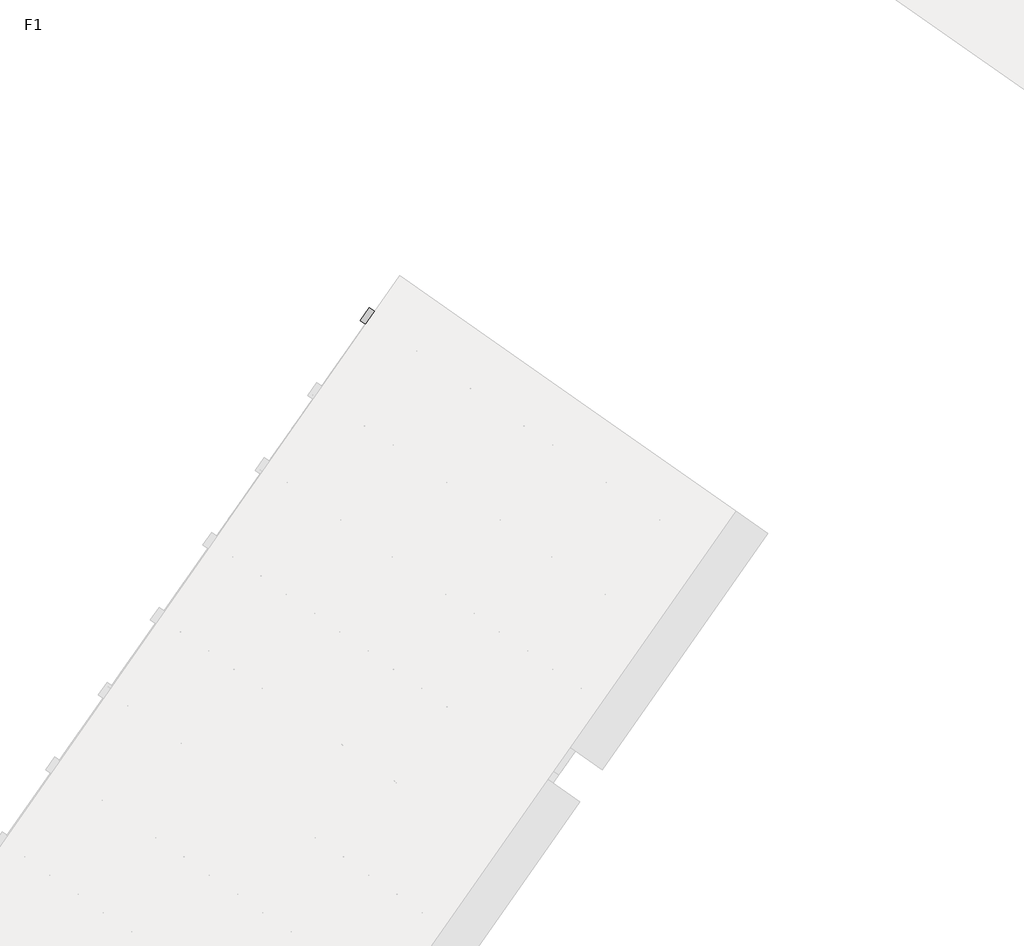
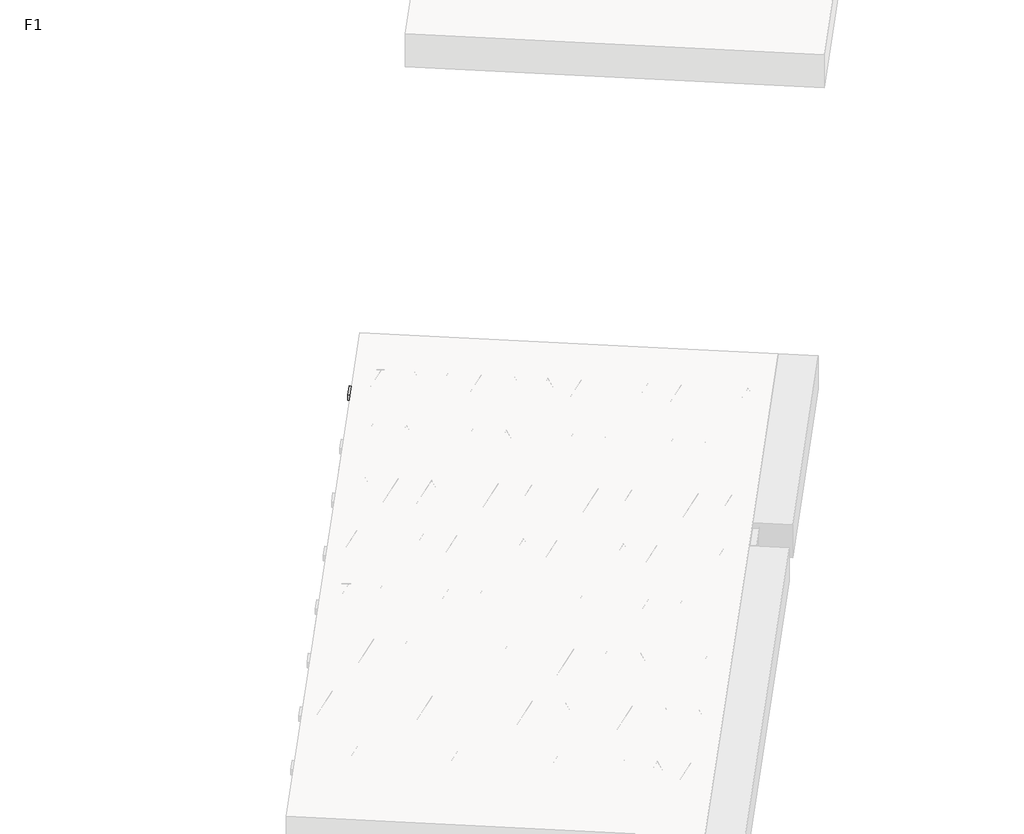
# One storey, part 16 of 30: 2 beams.
"""IFC4 building model written with IfcOpenShell, lengths in millimetres."""

import ifcopenshell
import ifcopenshell.guid

model = None  # the IFC model being written
_history = None  # IfcOwnerHistory: only IFC2X3 demands one
_inside = {}  # id of a spatial element -> (the spatial element, [elements in it])
_under = {}  # id of a project, library or spatial element -> (it, [spatial elements below it])
_declared = {}  # id of a project -> (the project, [libraries it declares])
_typed = {}  # id of a type object -> (the type object, [elements of that type])
_made_of = {}  # id of a material, layer set ... -> (it, [elements and type objects made of it])


def new_model(schema):
    """Start an empty IFC model of exactly this schema.

    Asked for "IFC4X3", IfcOpenShell would pick the latest addendum, in which some entities
    have other attributes; the version numbers below select the first issue.
    IFC2X3 requires an IfcOwnerHistory on every rooted entity: one is made here for all.
    """
    global model, _history
    if schema == "IFC4X3":
        model = ifcopenshell.file(schema_version=(4, 3, 0, 0))
    else:
        model = ifcopenshell.file(schema=schema)
    _inside.clear()
    _under.clear()
    _declared.clear()
    _typed.clear()
    _made_of.clear()
    _history = None
    if model.schema == "IFC2X3":
        org = make("IfcOrganization", Name="unknown")
        user = make(
            "IfcPersonAndOrganization",
            ThePerson=make("IfcPerson", FamilyName="unknown"),
            TheOrganization=org,
        )
        app = make(
            "IfcApplication",
            ApplicationDeveloper=org,
            Version="unknown",
            ApplicationFullName="unknown",
            ApplicationIdentifier="unknown",
        )
        _history = make(
            "IfcOwnerHistory",
            OwningUser=user,
            OwningApplication=app,
            ChangeAction="ADDED",
            CreationDate=0,
        )
    return model


def make(cls, **values):
    """One entity of the class cls with the attributes given. An attribute that is None is left unset."""
    return model.create_entity(
        cls, **{name: value for name, value in values.items() if value is not None}
    )


def rooted(cls, **values):
    """An entity with a GlobalId (a new one), such as an element, a storey or a relation."""
    return make(cls, GlobalId=ifcopenshell.guid.new(), OwnerHistory=_history, **values)


def si_unit(unit_type, name, prefix=None):
    """IfcSIUnit, for example si_unit("LENGTHUNIT", "METRE", prefix="MILLI")."""
    return make("IfcSIUnit", UnitType=unit_type, Prefix=prefix, Name=name)


def assignment(units):
    """IfcUnitAssignment: the units of a project."""
    return None if units is None else make("IfcUnitAssignment", Units=units)


def point(xyz):
    """IfcCartesianPoint."""
    return None if xyz is None else make("IfcCartesianPoint", Coordinates=xyz)


def direction(xyz):
    """IfcDirection."""
    return None if xyz is None else make("IfcDirection", DirectionRatios=xyz)


def frame(location, z_axis=None, x_axis=None):
    """IfcAxis2Placement3D, a coordinate frame: its origin and axes. An axis left out is left unset."""
    return make(
        "IfcAxis2Placement3D",
        Location=point(location),
        Axis=direction(z_axis),
        RefDirection=direction(x_axis),
    )


def frame_2d(location, x_axis=None):
    """IfcAxis2Placement2D, a coordinate frame in the plane: its origin and x axis."""
    return make(
        "IfcAxis2Placement2D", Location=point(location), RefDirection=direction(x_axis)
    )


def origin():
    """The frame at (0, 0, 0) with its axes left unset."""
    return frame((0.0, 0.0, 0.0))


def origin_2d():
    """The frame at (0, 0) in the plane with its x axis left unset."""
    return frame_2d((0.0, 0.0))


def place(relative_to, where):
    """IfcLocalPlacement: puts the frame where relative to a parent placement (None: the world)."""
    return make(
        "IfcLocalPlacement", PlacementRelTo=relative_to, RelativePlacement=where
    )


def context(
    kind, dimensions, precision=None, world=None, true_north=None, identifier=None
):
    """IfcGeometricRepresentationContext, for example the 3D "Model" context."""
    return make(
        "IfcGeometricRepresentationContext",
        ContextIdentifier=identifier,
        ContextType=kind,
        CoordinateSpaceDimension=dimensions,
        Precision=precision,
        WorldCoordinateSystem=world,
        TrueNorth=true_north,
    )


def project(units=None, contexts=None):
    """IfcProject with its units and contexts."""
    return rooted(
        "IfcProject",
        Name="project",
        RepresentationContexts=contexts,
        UnitsInContext=assignment(units),
    )


def spatial(cls, under=None, at=None, **own):
    """A site, building, storey or space (cls), placed at a placement, below another one or the project."""
    s = rooted(cls, ObjectPlacement=at, **own)
    if under is not None:
        _under.setdefault(under.id(), (under, []))[1].append(s)
    return s


def polyline(points):
    """IfcPolyline through the points."""
    return make("IfcPolyline", Points=[point(p) for p in points])


def circle_curve(where, radius):
    """IfcCircle in the frame where."""
    return make("IfcCircle", Position=where, Radius=radius)


def trimmed(basis, trim1, trim2, sense, master):
    """IfcTrimmedCurve: the piece of a basis curve between two trims."""
    return make(
        "IfcTrimmedCurve",
        BasisCurve=basis,
        Trim1=trim1,
        Trim2=trim2,
        SenseAgreement=sense,
        MasterRepresentation=master,
    )


def segment(curve, same_sense, transition):
    """IfcCompositeCurveSegment."""
    return make(
        "IfcCompositeCurveSegment",
        Transition=transition,
        SameSense=same_sense,
        ParentCurve=curve,
    )


def composite_curve(segments, self_intersect=None):
    """IfcCompositeCurve: segments joined end to end."""
    return make("IfcCompositeCurve", Segments=segments, SelfIntersect=self_intersect)


def outline(outer, holes=None, kind="AREA"):
    """IfcArbitraryClosedProfileDef: a profile drawn as a closed curve; with holes, ...WithVoids."""
    if holes is None:
        return make("IfcArbitraryClosedProfileDef", ProfileType=kind, OuterCurve=outer)
    return make(
        "IfcArbitraryProfileDefWithVoids",
        ProfileType=kind,
        OuterCurve=outer,
        InnerCurves=holes,
    )


def extrude(swept, where, along, depth):
    """IfcExtrudedAreaSolid: the profile swept, set in the frame where, extruded along a direction by depth."""
    return make(
        "IfcExtrudedAreaSolid",
        SweptArea=swept,
        Position=where,
        ExtrudedDirection=direction(along),
        Depth=depth,
    )


def shape(context_of_items, identifier, shape_type, items):
    """IfcShapeRepresentation: the items that make up one representation, for example the "Body"."""
    return make(
        "IfcShapeRepresentation",
        ContextOfItems=context_of_items,
        RepresentationIdentifier=identifier,
        RepresentationType=shape_type,
        Items=items,
    )


def made_of(thing, what):
    """Note that an element or type object is made of a material, layer set ...; save() writes the relation."""
    if what is not None:
        _made_of.setdefault(what.id(), (what, []))[1].append(thing)
    return thing


def element(
    cls,
    number,
    at=None,
    inside=None,
    cuts=None,
    type_object=None,
    material=None,
    context=None,
    identifier="Body",
    shape_type=None,
    held_by="IfcProductDefinitionShape",
    body=None,
    shapes=None,
    **own,
):
    """One element of the class cls, such as IfcWall. Its Tag is "e" and its number.

    at: its placement. inside: the storey or other place that contains it. cuts: it is an
    opening in that element (IfcRelVoidsElement). A single representation is given by context,
    identifier, shape_type and body (its items); several are given by shapes. held_by: the class
    of the entity that holds the representations. save() writes the other relations.
    """
    e = rooted(cls, Tag="e%d" % number, ObjectPlacement=at, **own)
    if body is not None:
        shapes = [shape(context, identifier, shape_type, body)]
    if shapes is not None:
        e.Representation = make(held_by, Representations=shapes)
    if inside is not None:
        _inside.setdefault(inside.id(), (inside, []))[1].append(e)
    if cuts is not None:
        rooted(
            "IfcRelVoidsElement", RelatingBuildingElement=cuts, RelatedOpeningElement=e
        )
    if type_object is not None:
        _typed.setdefault(type_object.id(), (type_object, []))[1].append(e)
    return made_of(e, material)


def aggregate(whole, parts):
    """IfcRelAggregates: a whole, such as a stair, and the parts it consists of."""
    return rooted("IfcRelAggregates", RelatingObject=whole, RelatedObjects=parts)


def save(model, path):
    """Write the relations noted so far, then the file.

    IfcRelAggregates (storeys below a building ...), IfcRelContainedInSpatialStructure (elements
    in a storey), IfcRelDefinesByType, IfcRelAssociatesMaterial and IfcRelDeclares: one each for
    every whole, place, type object, material and project.
    """
    for whole, parts in _under.values():
        aggregate(whole, parts)
    for where, things in _inside.values():
        rooted(
            "IfcRelContainedInSpatialStructure",
            RelatedElements=things,
            RelatingStructure=where,
        )
    for kind, things in _typed.values():
        rooted("IfcRelDefinesByType", RelatedObjects=things, RelatingType=kind)
    for what, things in _made_of.values():
        rooted("IfcRelAssociatesMaterial", RelatedObjects=things, RelatingMaterial=what)
    for by, libraries in _declared.values():
        rooted("IfcRelDeclares", RelatingContext=by, RelatedDefinitions=libraries)
    model.write(path)


model = new_model("IFC4")

# Units and contexts
model_context = context("Model", 3, world=origin())
ifc_project = project(units=[si_unit("LENGTHUNIT", "METRE", prefix="MILLI")], contexts=[model_context])

# Site, building, storey
site = spatial("IfcSite", under=ifc_project)
building = spatial("IfcBuilding", under=site)
storey = spatial("IfcBuildingStorey", under=building, Name="F1", Elevation=99520.0)

# Beams
placement = place(None, origin())
element("IfcBeam", 1, at=placement, inside=storey, context=model_context, shape_type="SweptSolid", body=[
    extrude(outline(polyline([(7231.5291764, 173.8962486), (7300.3583487, 272.1944939), (9954.4109722, -1586.1931599), (9885.5817998, -1684.4914052), (7231.5291764, 173.8962486)])), frame((0.0, 0.0, 99720.0), z_axis=(0.0, 0.0, 1.0), x_axis=(1.0, 0.0, 0.0)), (0.0, 0.0, 1.0), 50.0),
    extrude(outline(composite_curve([segment(trimmed(circle_curve(origin_2d(), 2.5), [point((-2.5, 0.0))], [point((2.5, 0.0))], False, "CARTESIAN"), True, "CONTINUOUS"), segment(trimmed(circle_curve(origin_2d(), 2.5), [point((2.5, 0.0))], [point((-2.5, 0.0))], False, "CARTESIAN"), True, "CONTINUOUS")], self_intersect=False)), frame((9879.6879852, -1651.0659217, 99745.0), z_axis=(-0.8191520442696126, 0.5735764363787226, 0.0), x_axis=(0.5735764363787226, 0.8191520442696126, 0.0)), (0.0, 0.0, 1.0), 3192.0),
    extrude(outline(composite_curve([segment(trimmed(circle_curve(origin_2d(), 2.5), [point((-2.5, 0.0))], [point((2.4999999, 0.0))], False, "CARTESIAN"), True, "CONTINUOUS"), segment(trimmed(circle_curve(origin_2d(), 2.5), [point((2.4999999, 0.0))], [point((-2.5, 0.0))], False, "CARTESIAN"), True, "CONTINUOUS")], self_intersect=False)), frame((9760.2617374, -1523.4948775, 99970.0), z_axis=(-0.8191520442696126, 0.5735764363787226, 0.0), x_axis=(0.5735764363787226, 0.8191520442696126, 0.0)), (0.0, 0.0, 1.0), 2850.0),
    extrude(outline(composite_curve([segment(trimmed(circle_curve(origin_2d(), 2.5), [point((-2.5, 0.0))], [point((2.5, 0.0))], False, "CARTESIAN"), True, "CONTINUOUS"), segment(trimmed(circle_curve(origin_2d(), 2.5), [point((2.5, 0.0))], [point((-2.5, 0.0))], False, "CARTESIAN"), True, "CONTINUOUS")], self_intersect=False)), frame((9801.049389, -1596.0025838, 99745.0), z_axis=(-0.3145304735701046, 0.38933448886848654, 0.8657304643902053), x_axis=(0.7778747638402499, 0.6284193279813057, 0.0)), (0.0, 0.0, 1.0), 259.8961331),
    extrude(outline(composite_curve([segment(trimmed(circle_curve(origin_2d(), 2.5), [point((2.5, 0.0))], [point((-2.5, 0.0))], False, "CARTESIAN"), True, "CONTINUOUS"), segment(trimmed(circle_curve(origin_2d(), 2.5), [point((-2.5, 0.0))], [point((2.5, 0.0))], False, "CARTESIAN"), True, "CONTINUOUS")], self_intersect=False)), frame((9596.2613779, -1452.6084747, 99745.0), z_axis=(0.47343050384693375, -0.16240172737369005, 0.8657304643902051), x_axis=(-0.3244721671091268, -0.9458952440791246, 0.0)), (0.0, 0.0, 1.0), 259.8961331),
    extrude(outline(composite_curve([segment(trimmed(circle_curve(origin_2d(), 2.5), [point((-2.5, 0.0))], [point((2.5, 0.0))], False, "CARTESIAN"), True, "CONTINUOUS"), segment(trimmed(circle_curve(origin_2d(), 2.5), [point((2.5, 0.0))], [point((-2.5, 0.0))], False, "CARTESIAN"), True, "CONTINUOUS")], self_intersect=False)), frame((9596.2613779, -1452.6084747, 99745.0), z_axis=(-0.3145304735701046, 0.38933448886848654, 0.8657304643902053), x_axis=(0.7778747638402499, 0.6284193279813057, 0.0)), (0.0, 0.0, 1.0), 259.8961331),
    extrude(outline(composite_curve([segment(trimmed(circle_curve(origin_2d(), 2.5), [point((2.5, 0.0))], [point((-2.5, 1e-07))], False, "CARTESIAN"), True, "CONTINUOUS"), segment(trimmed(circle_curve(origin_2d(), 2.5), [point((-2.5, 1e-07))], [point((2.5, 0.0))], False, "CARTESIAN"), True, "CONTINUOUS")], self_intersect=False)), frame((9391.4733668, -1309.2143656, 99745.0), z_axis=(0.47343050384693375, -0.16240172737369005, 0.8657304643902051), x_axis=(-0.3244721671091268, -0.9458952440791246, 0.0)), (0.0, 0.0, 1.0), 259.8961331),
    extrude(outline(composite_curve([segment(trimmed(circle_curve(origin_2d(), 2.5), [point((-2.5, 0.0))], [point((2.5, 0.0))], False, "CARTESIAN"), True, "CONTINUOUS"), segment(trimmed(circle_curve(origin_2d(), 2.5), [point((2.5, 0.0))], [point((-2.5, 0.0))], False, "CARTESIAN"), True, "CONTINUOUS")], self_intersect=False)), frame((9391.4733668, -1309.2143656, 99745.0), z_axis=(-0.3145304735701046, 0.38933448886848654, 0.8657304643902053), x_axis=(0.7778747638402499, 0.6284193279813057, 0.0)), (0.0, 0.0, 1.0), 259.8961331),
    extrude(outline(composite_curve([segment(trimmed(circle_curve(origin_2d(), 2.5), [point((2.5, -1e-07))], [point((-2.5, 0.0))], False, "CARTESIAN"), True, "CONTINUOUS"), segment(trimmed(circle_curve(origin_2d(), 2.5), [point((-2.5, 0.0))], [point((2.5, -1e-07))], False, "CARTESIAN"), True, "CONTINUOUS")], self_intersect=False)), frame((9186.6853558, -1165.8202565, 99745.0), z_axis=(0.47343050384693375, -0.16240172737369005, 0.8657304643902051), x_axis=(-0.3244721671091268, -0.9458952440791246, 0.0)), (0.0, 0.0, 1.0), 259.8961331),
    extrude(outline(composite_curve([segment(trimmed(circle_curve(origin_2d(), 2.5), [point((-2.5, -1e-07))], [point((2.5, 0.0))], False, "CARTESIAN"), True, "CONTINUOUS"), segment(trimmed(circle_curve(origin_2d(), 2.5), [point((2.5, 0.0))], [point((-2.5, -1e-07))], False, "CARTESIAN"), True, "CONTINUOUS")], self_intersect=False)), frame((9186.6853558, -1165.8202565, 99745.0), z_axis=(-0.3145304735701046, 0.38933448886848654, 0.8657304643902053), x_axis=(0.7778747638402499, 0.6284193279813057, 0.0)), (0.0, 0.0, 1.0), 259.8961331),
    extrude(outline(composite_curve([segment(trimmed(circle_curve(origin_2d(), 2.5), [point((2.5, 0.0))], [point((-2.5, 0.0))], False, "CARTESIAN"), True, "CONTINUOUS"), segment(trimmed(circle_curve(origin_2d(), 2.5), [point((-2.5, 0.0))], [point((2.5, 0.0))], False, "CARTESIAN"), True, "CONTINUOUS")], self_intersect=False)), frame((8981.8973447, -1022.4261474, 99745.0), z_axis=(0.47343050384693375, -0.16240172737369005, 0.8657304643902051), x_axis=(-0.3244721671091268, -0.9458952440791246, 0.0)), (0.0, 0.0, 1.0), 259.8961331),
    extrude(outline(composite_curve([segment(trimmed(circle_curve(origin_2d(), 2.5), [point((-2.5, -1e-07))], [point((2.5, 0.0))], False, "CARTESIAN"), True, "CONTINUOUS"), segment(trimmed(circle_curve(origin_2d(), 2.5), [point((2.5, 0.0))], [point((-2.5, -1e-07))], False, "CARTESIAN"), True, "CONTINUOUS")], self_intersect=False)), frame((8981.8973447, -1022.4261474, 99745.0), z_axis=(-0.3145304735701046, 0.38933448886848654, 0.8657304643902053), x_axis=(0.7778747638402499, 0.6284193279813057, 0.0)), (0.0, 0.0, 1.0), 259.8961331),
    extrude(outline(composite_curve([segment(trimmed(circle_curve(origin_2d(), 2.5), [point((2.5000001, 0.0))], [point((-2.5, 0.0))], False, "CARTESIAN"), True, "CONTINUOUS"), segment(trimmed(circle_curve(origin_2d(), 2.5), [point((-2.5, 0.0))], [point((2.5000001, 0.0))], False, "CARTESIAN"), True, "CONTINUOUS")], self_intersect=False)), frame((8777.1093336, -879.0320383, 99745.0), z_axis=(0.47343050384693375, -0.16240172737369005, 0.8657304643902051), x_axis=(-0.3244721671091268, -0.9458952440791246, 0.0)), (0.0, 0.0, 1.0), 259.8961331),
    extrude(outline(composite_curve([segment(trimmed(circle_curve(origin_2d(), 2.5), [point((-2.5, -1e-07))], [point((2.5, 0.0))], False, "CARTESIAN"), True, "CONTINUOUS"), segment(trimmed(circle_curve(origin_2d(), 2.5), [point((2.5, 0.0))], [point((-2.5, -1e-07))], False, "CARTESIAN"), True, "CONTINUOUS")], self_intersect=False)), frame((8777.1093336, -879.0320383, 99745.0), z_axis=(-0.3145304735701046, 0.38933448886848654, 0.8657304643902053), x_axis=(0.7778747638402499, 0.6284193279813057, 0.0)), (0.0, 0.0, 1.0), 259.8961331),
    extrude(outline(composite_curve([segment(trimmed(circle_curve(origin_2d(), 2.5), [point((2.5000001, 0.0))], [point((-2.5, 0.0))], False, "CARTESIAN"), True, "CONTINUOUS"), segment(trimmed(circle_curve(origin_2d(), 2.5), [point((-2.5, 0.0))], [point((2.5000001, 0.0))], False, "CARTESIAN"), True, "CONTINUOUS")], self_intersect=False)), frame((8572.3213226, -735.6379292, 99745.0), z_axis=(0.47343050384693375, -0.16240172737369005, 0.8657304643902051), x_axis=(-0.3244721671091268, -0.9458952440791246, 0.0)), (0.0, 0.0, 1.0), 259.8961331),
    extrude(outline(composite_curve([segment(trimmed(circle_curve(origin_2d(), 2.5), [point((-2.5, -1e-07))], [point((2.5, 0.0))], False, "CARTESIAN"), True, "CONTINUOUS"), segment(trimmed(circle_curve(origin_2d(), 2.5), [point((2.5, 0.0))], [point((-2.5, -1e-07))], False, "CARTESIAN"), True, "CONTINUOUS")], self_intersect=False)), frame((8572.3213226, -735.6379292, 99745.0), z_axis=(-0.3145304735701046, 0.38933448886848654, 0.8657304643902053), x_axis=(0.7778747638402499, 0.6284193279813057, 0.0)), (0.0, 0.0, 1.0), 259.8961331),
    extrude(outline(composite_curve([segment(trimmed(circle_curve(origin_2d(), 2.5), [point((2.5, 0.0))], [point((-2.5000001, 0.0))], False, "CARTESIAN"), True, "CONTINUOUS"), segment(trimmed(circle_curve(origin_2d(), 2.5), [point((-2.5000001, 0.0))], [point((2.5, 0.0))], False, "CARTESIAN"), True, "CONTINUOUS")], self_intersect=False)), frame((8367.5333115, -592.2438202, 99745.0), z_axis=(0.47343050384693375, -0.16240172737369005, 0.8657304643902051), x_axis=(-0.3244721671091268, -0.9458952440791246, 0.0)), (0.0, 0.0, 1.0), 259.8961331),
    extrude(outline(composite_curve([segment(trimmed(circle_curve(origin_2d(), 2.5), [point((-2.5, 0.0))], [point((2.5, 1e-07))], False, "CARTESIAN"), True, "CONTINUOUS"), segment(trimmed(circle_curve(origin_2d(), 2.5), [point((2.5, 1e-07))], [point((-2.5, 0.0))], False, "CARTESIAN"), True, "CONTINUOUS")], self_intersect=False)), frame((8367.5333115, -592.2438202, 99745.0), z_axis=(-0.3145304735701046, 0.38933448886848654, 0.8657304643902053), x_axis=(0.7778747638402499, 0.6284193279813057, 0.0)), (0.0, 0.0, 1.0), 259.8961331),
    extrude(outline(composite_curve([segment(trimmed(circle_curve(origin_2d(), 2.5), [point((2.5, 0.0))], [point((-2.5000001, 0.0))], False, "CARTESIAN"), True, "CONTINUOUS"), segment(trimmed(circle_curve(origin_2d(), 2.5), [point((-2.5000001, 0.0))], [point((2.5, 0.0))], False, "CARTESIAN"), True, "CONTINUOUS")], self_intersect=False)), frame((8162.7453004, -448.8497111, 99745.0), z_axis=(0.47343050384693375, -0.16240172737369005, 0.8657304643902051), x_axis=(-0.3244721671091268, -0.9458952440791246, 0.0)), (0.0, 0.0, 1.0), 259.8961331),
    extrude(outline(composite_curve([segment(trimmed(circle_curve(origin_2d(), 2.5), [point((-2.5, 0.0))], [point((2.5, 1e-07))], False, "CARTESIAN"), True, "CONTINUOUS"), segment(trimmed(circle_curve(origin_2d(), 2.5), [point((2.5, 1e-07))], [point((-2.5, 0.0))], False, "CARTESIAN"), True, "CONTINUOUS")], self_intersect=False)), frame((8162.7453004, -448.8497111, 99745.0), z_axis=(-0.3145304735701046, 0.38933448886848654, 0.8657304643902053), x_axis=(0.7778747638402499, 0.6284193279813057, 0.0)), (0.0, 0.0, 1.0), 259.8961331),
    extrude(outline(composite_curve([segment(trimmed(circle_curve(origin_2d(), 2.5), [point((2.5, -1e-07))], [point((-2.5, 0.0))], False, "CARTESIAN"), True, "CONTINUOUS"), segment(trimmed(circle_curve(origin_2d(), 2.5), [point((-2.5, 0.0))], [point((2.5, -1e-07))], False, "CARTESIAN"), True, "CONTINUOUS")], self_intersect=False)), frame((7957.9572894, -305.455602, 99745.0), z_axis=(0.47343050384693375, -0.16240172737369005, 0.8657304643902051), x_axis=(-0.3244721671091268, -0.9458952440791246, 0.0)), (0.0, 0.0, 1.0), 259.8961331),
    extrude(outline(composite_curve([segment(trimmed(circle_curve(origin_2d(), 2.5), [point((-2.5, 0.0))], [point((2.5, 1e-07))], False, "CARTESIAN"), True, "CONTINUOUS"), segment(trimmed(circle_curve(origin_2d(), 2.5), [point((2.5, 1e-07))], [point((-2.5, 0.0))], False, "CARTESIAN"), True, "CONTINUOUS")], self_intersect=False)), frame((7957.9572894, -305.455602, 99745.0), z_axis=(-0.3145304735701046, 0.38933448886848654, 0.8657304643902053), x_axis=(0.7778747638402499, 0.6284193279813057, 0.0)), (0.0, 0.0, 1.0), 259.8961331),
    extrude(outline(composite_curve([segment(trimmed(circle_curve(origin_2d(), 2.5), [point((2.5, 0.0))], [point((-2.5, 0.0))], False, "CARTESIAN"), True, "CONTINUOUS"), segment(trimmed(circle_curve(origin_2d(), 2.5), [point((-2.5, 0.0))], [point((2.5, 0.0))], False, "CARTESIAN"), True, "CONTINUOUS")], self_intersect=False)), frame((7753.1692783, -162.0614929, 99745.0), z_axis=(0.47343050384693375, -0.16240172737369005, 0.8657304643902051), x_axis=(-0.3244721671091268, -0.9458952440791246, 0.0)), (0.0, 0.0, 1.0), 259.8961331),
    extrude(outline(composite_curve([segment(trimmed(circle_curve(origin_2d(), 2.5), [point((-2.5, 0.0))], [point((2.5, 1e-07))], False, "CARTESIAN"), True, "CONTINUOUS"), segment(trimmed(circle_curve(origin_2d(), 2.5), [point((2.5, 1e-07))], [point((-2.5, 0.0))], False, "CARTESIAN"), True, "CONTINUOUS")], self_intersect=False)), frame((7753.1692783, -162.0614929, 99745.0), z_axis=(-0.3145304735701046, 0.38933448886848654, 0.8657304643902053), x_axis=(0.7778747638402499, 0.6284193279813057, 0.0)), (0.0, 0.0, 1.0), 259.8961331),
    extrude(outline(composite_curve([segment(trimmed(circle_curve(origin_2d(), 2.5), [point((2.5, 0.0))], [point((-2.5, 0.0))], False, "CARTESIAN"), True, "CONTINUOUS"), segment(trimmed(circle_curve(origin_2d(), 2.5), [point((-2.5, 0.0))], [point((2.5, 0.0))], False, "CARTESIAN"), True, "CONTINUOUS")], self_intersect=False)), frame((7548.3812672, -18.6673838, 99745.0), z_axis=(0.47343050384693375, -0.16240172737369005, 0.8657304643902051), x_axis=(-0.3244721671091268, -0.9458952440791246, 0.0)), (0.0, 0.0, 1.0), 259.8961331),
    extrude(outline(composite_curve([segment(trimmed(circle_curve(origin_2d(), 2.5), [point((-2.5, 0.0))], [point((2.5, 0.0))], False, "CARTESIAN"), True, "CONTINUOUS"), segment(trimmed(circle_curve(origin_2d(), 2.5), [point((2.5, 0.0))], [point((-2.5, 0.0))], False, "CARTESIAN"), True, "CONTINUOUS")], self_intersect=False)), frame((7548.3812672, -18.6673838, 99745.0), z_axis=(-0.3145304735701046, 0.38933448886848654, 0.8657304643902053), x_axis=(0.7778747638402499, 0.6284193279813057, 0.0)), (0.0, 0.0, 1.0), 259.8961331),
    extrude(outline(composite_curve([segment(trimmed(circle_curve(origin_2d(), 2.5), [point((2.5, -1e-07))], [point((-2.5, 0.0))], False, "CARTESIAN"), True, "CONTINUOUS"), segment(trimmed(circle_curve(origin_2d(), 2.5), [point((-2.5, 0.0))], [point((2.5, -1e-07))], False, "CARTESIAN"), True, "CONTINUOUS")], self_intersect=False)), frame((7343.5932562, 124.7267253, 99745.0), z_axis=(0.47343050384693375, -0.16240172737369005, 0.8657304643902051), x_axis=(-0.3244721671091268, -0.9458952440791246, 0.0)), (0.0, 0.0, 1.0), 259.8961331),
    extrude(outline(composite_curve([segment(trimmed(circle_curve(origin_2d(), 2.5), [point((-2.5, 0.0))], [point((2.5, 0.0))], False, "CARTESIAN"), True, "CONTINUOUS"), segment(trimmed(circle_curve(origin_2d(), 2.5), [point((2.5, 0.0))], [point((-2.5, 0.0))], False, "CARTESIAN"), True, "CONTINUOUS")], self_intersect=False)), frame((9920.9854886, -1592.0869745, 99745.0), z_axis=(-0.8191520442696126, 0.5735764363787226, 0.0), x_axis=(0.5735764363787226, 0.8191520442696126, 0.0)), (0.0, 0.0, 1.0), 3192.0),
    extrude(outline(composite_curve([segment(trimmed(circle_curve(origin_2d(), 2.5), [point((-2.5, 0.0))], [point((2.5, 0.0))], False, "CARTESIAN"), True, "CONTINUOUS"), segment(trimmed(circle_curve(origin_2d(), 2.5), [point((2.5, 0.0))], [point((-2.5, 0.0))], False, "CARTESIAN"), True, "CONTINUOUS")], self_intersect=False)), frame((9842.3468924, -1537.0236366, 99745.0), z_axis=(-0.47343050384693375, 0.16240172737369005, 0.8657304643902051), x_axis=(0.3244721671091268, 0.9458952440791246, 0.0)), (0.0, 0.0, 1.0), 259.8961331),
    extrude(outline(composite_curve([segment(trimmed(circle_curve(origin_2d(), 2.5), [point((2.5, 1e-07))], [point((-2.5, 0.0))], False, "CARTESIAN"), True, "CONTINUOUS"), segment(trimmed(circle_curve(origin_2d(), 2.5), [point((-2.5, 0.0))], [point((2.5, 1e-07))], False, "CARTESIAN"), True, "CONTINUOUS")], self_intersect=False)), frame((9637.5588813, -1393.6295275, 99745.0), z_axis=(0.3145304735701046, -0.38933448886848654, 0.8657304643902053), x_axis=(-0.7778747638402499, -0.6284193279813057, 0.0)), (0.0, 0.0, 1.0), 259.8961331),
    extrude(outline(composite_curve([segment(trimmed(circle_curve(origin_2d(), 2.5), [point((-2.5, 0.0))], [point((2.5, 0.0))], False, "CARTESIAN"), True, "CONTINUOUS"), segment(trimmed(circle_curve(origin_2d(), 2.5), [point((2.5, 0.0))], [point((-2.5, 0.0))], False, "CARTESIAN"), True, "CONTINUOUS")], self_intersect=False)), frame((9637.5588813, -1393.6295275, 99745.0), z_axis=(-0.47343050384693375, 0.16240172737369005, 0.8657304643902051), x_axis=(0.3244721671091268, 0.9458952440791246, 0.0)), (0.0, 0.0, 1.0), 259.8961331),
    extrude(outline(composite_curve([segment(trimmed(circle_curve(origin_2d(), 2.5), [point((2.5000001, 0.0))], [point((-2.5, 0.0))], False, "CARTESIAN"), True, "CONTINUOUS"), segment(trimmed(circle_curve(origin_2d(), 2.5), [point((-2.5, 0.0))], [point((2.5000001, 0.0))], False, "CARTESIAN"), True, "CONTINUOUS")], self_intersect=False)), frame((9432.7708703, -1250.2354184, 99745.0), z_axis=(0.3145304735701046, -0.38933448886848654, 0.8657304643902053), x_axis=(-0.7778747638402499, -0.6284193279813057, 0.0)), (0.0, 0.0, 1.0), 259.8961331),
    extrude(outline(composite_curve([segment(trimmed(circle_curve(origin_2d(), 2.5), [point((-2.5, 1e-07))], [point((2.5, 0.0))], False, "CARTESIAN"), True, "CONTINUOUS"), segment(trimmed(circle_curve(origin_2d(), 2.5), [point((2.5, 0.0))], [point((-2.5, 1e-07))], False, "CARTESIAN"), True, "CONTINUOUS")], self_intersect=False)), frame((9432.7708703, -1250.2354184, 99745.0), z_axis=(-0.47343050384693375, 0.16240172737369005, 0.8657304643902051), x_axis=(0.3244721671091268, 0.9458952440791246, 0.0)), (0.0, 0.0, 1.0), 259.8961331),
    extrude(outline(composite_curve([segment(trimmed(circle_curve(origin_2d(), 2.5), [point((2.5, 1e-07))], [point((-2.5, 0.0))], False, "CARTESIAN"), True, "CONTINUOUS"), segment(trimmed(circle_curve(origin_2d(), 2.5), [point((-2.5, 0.0))], [point((2.5, 1e-07))], False, "CARTESIAN"), True, "CONTINUOUS")], self_intersect=False)), frame((9227.9828592, -1106.8413093, 99745.0), z_axis=(0.3145304735701046, -0.38933448886848654, 0.8657304643902053), x_axis=(-0.7778747638402499, -0.6284193279813057, 0.0)), (0.0, 0.0, 1.0), 259.8961331),
    extrude(outline(composite_curve([segment(trimmed(circle_curve(origin_2d(), 2.5), [point((-2.5000001, 0.0))], [point((2.5, 0.0))], False, "CARTESIAN"), True, "CONTINUOUS"), segment(trimmed(circle_curve(origin_2d(), 2.5), [point((2.5, 0.0))], [point((-2.5000001, 0.0))], False, "CARTESIAN"), True, "CONTINUOUS")], self_intersect=False)), frame((9227.9828592, -1106.8413093, 99745.0), z_axis=(-0.47343050384693375, 0.16240172737369005, 0.8657304643902051), x_axis=(0.3244721671091268, 0.9458952440791246, 0.0)), (0.0, 0.0, 1.0), 259.8961331),
    extrude(outline(composite_curve([segment(trimmed(circle_curve(origin_2d(), 2.5), [point((2.5, 0.0))], [point((-2.5, -1e-07))], False, "CARTESIAN"), True, "CONTINUOUS"), segment(trimmed(circle_curve(origin_2d(), 2.5), [point((-2.5, -1e-07))], [point((2.5, 0.0))], False, "CARTESIAN"), True, "CONTINUOUS")], self_intersect=False)), frame((9023.1948481, -963.4472003, 99745.0), z_axis=(0.3145304735701046, -0.38933448886848654, 0.8657304643902053), x_axis=(-0.7778747638402499, -0.6284193279813057, 0.0)), (0.0, 0.0, 1.0), 259.8961331),
    extrude(outline(composite_curve([segment(trimmed(circle_curve(origin_2d(), 2.5), [point((-2.5000001, 0.0))], [point((2.5, 0.0))], False, "CARTESIAN"), True, "CONTINUOUS"), segment(trimmed(circle_curve(origin_2d(), 2.5), [point((2.5, 0.0))], [point((-2.5000001, 0.0))], False, "CARTESIAN"), True, "CONTINUOUS")], self_intersect=False)), frame((9023.1948481, -963.4472002, 99745.0), z_axis=(-0.47343050384693375, 0.16240172737369005, 0.8657304643902051), x_axis=(0.3244721671091268, 0.9458952440791246, 0.0)), (0.0, 0.0, 1.0), 259.8961331),
    extrude(outline(composite_curve([segment(trimmed(circle_curve(origin_2d(), 2.5), [point((2.5000001, -1e-07))], [point((-2.5, -1e-07))], False, "CARTESIAN"), True, "CONTINUOUS"), segment(trimmed(circle_curve(origin_2d(), 2.5), [point((-2.5, -1e-07))], [point((2.5000001, -1e-07))], False, "CARTESIAN"), True, "CONTINUOUS")], self_intersect=False)), frame((8818.4068371, -820.0530912, 99745.0), z_axis=(0.3145304735701046, -0.38933448886848654, 0.8657304643902053), x_axis=(-0.7778747638402499, -0.6284193279813057, 0.0)), (0.0, 0.0, 1.0), 259.8961331),
    extrude(outline(composite_curve([segment(trimmed(circle_curve(origin_2d(), 2.5), [point((-2.5, 0.0))], [point((2.5000001, 0.0))], False, "CARTESIAN"), True, "CONTINUOUS"), segment(trimmed(circle_curve(origin_2d(), 2.5), [point((2.5000001, 0.0))], [point((-2.5, 0.0))], False, "CARTESIAN"), True, "CONTINUOUS")], self_intersect=False)), frame((8818.406837, -820.0530912, 99745.0), z_axis=(-0.47343050384693375, 0.16240172737369005, 0.8657304643902051), x_axis=(0.3244721671091268, 0.9458952440791246, 0.0)), (0.0, 0.0, 1.0), 259.8961331),
    extrude(outline(composite_curve([segment(trimmed(circle_curve(origin_2d(), 2.5), [point((2.5, 0.0))], [point((-2.5, -1e-07))], False, "CARTESIAN"), True, "CONTINUOUS"), segment(trimmed(circle_curve(origin_2d(), 2.5), [point((-2.5, -1e-07))], [point((2.5, 0.0))], False, "CARTESIAN"), True, "CONTINUOUS")], self_intersect=False)), frame((8613.618826, -676.6589821, 99745.0), z_axis=(0.3145304735701046, -0.38933448886848654, 0.8657304643902053), x_axis=(-0.7778747638402499, -0.6284193279813057, 0.0)), (0.0, 0.0, 1.0), 259.8961331),
    extrude(outline(composite_curve([segment(trimmed(circle_curve(origin_2d(), 2.5), [point((-2.5, 0.0))], [point((2.5, 0.0))], False, "CARTESIAN"), True, "CONTINUOUS"), segment(trimmed(circle_curve(origin_2d(), 2.5), [point((2.5, 0.0))], [point((-2.5, 0.0))], False, "CARTESIAN"), True, "CONTINUOUS")], self_intersect=False)), frame((8613.618826, -676.6589821, 99745.0), z_axis=(-0.47343050384693375, 0.16240172737369005, 0.8657304643902051), x_axis=(0.3244721671091268, 0.9458952440791246, 0.0)), (0.0, 0.0, 1.0), 259.8961331),
    extrude(outline(composite_curve([segment(trimmed(circle_curve(origin_2d(), 2.5), [point((2.5, 0.0))], [point((-2.5, -1e-07))], False, "CARTESIAN"), True, "CONTINUOUS"), segment(trimmed(circle_curve(origin_2d(), 2.5), [point((-2.5, -1e-07))], [point((2.5, 0.0))], False, "CARTESIAN"), True, "CONTINUOUS")], self_intersect=False)), frame((8408.8308149, -533.264873, 99745.0), z_axis=(0.3145304735701046, -0.38933448886848654, 0.8657304643902053), x_axis=(-0.7778747638402499, -0.6284193279813057, 0.0)), (0.0, 0.0, 1.0), 259.8961331),
    extrude(outline(composite_curve([segment(trimmed(circle_curve(origin_2d(), 2.5), [point((-2.5, 0.0))], [point((2.5, 0.0))], False, "CARTESIAN"), True, "CONTINUOUS"), segment(trimmed(circle_curve(origin_2d(), 2.5), [point((2.5, 0.0))], [point((-2.5, 0.0))], False, "CARTESIAN"), True, "CONTINUOUS")], self_intersect=False)), frame((8408.8308149, -533.264873, 99745.0), z_axis=(-0.47343050384693375, 0.16240172737369005, 0.8657304643902051), x_axis=(0.3244721671091268, 0.9458952440791246, 0.0)), (0.0, 0.0, 1.0), 259.8961331),
    extrude(outline(composite_curve([segment(trimmed(circle_curve(origin_2d(), 2.5), [point((2.5, 0.0))], [point((-2.5000001, 1e-07))], False, "CARTESIAN"), True, "CONTINUOUS"), segment(trimmed(circle_curve(origin_2d(), 2.5), [point((-2.5000001, 1e-07))], [point((2.5, 0.0))], False, "CARTESIAN"), True, "CONTINUOUS")], self_intersect=False)), frame((8204.0428038, -389.8707639, 99745.0), z_axis=(0.3145304735701046, -0.38933448886848654, 0.8657304643902053), x_axis=(-0.7778747638402499, -0.6284193279813057, 0.0)), (0.0, 0.0, 1.0), 259.8961331),
    extrude(outline(composite_curve([segment(trimmed(circle_curve(origin_2d(), 2.5), [point((-2.5, 0.0))], [point((2.5, -1e-07))], False, "CARTESIAN"), True, "CONTINUOUS"), segment(trimmed(circle_curve(origin_2d(), 2.5), [point((2.5, -1e-07))], [point((-2.5, 0.0))], False, "CARTESIAN"), True, "CONTINUOUS")], self_intersect=False)), frame((8204.0428038, -389.8707639, 99745.0), z_axis=(-0.47343050384693375, 0.16240172737369005, 0.8657304643902051), x_axis=(0.3244721671091268, 0.9458952440791246, 0.0)), (0.0, 0.0, 1.0), 259.8961331),
    extrude(outline(composite_curve([segment(trimmed(circle_curve(origin_2d(), 2.5), [point((2.5, 0.0))], [point((-2.5, 0.0))], False, "CARTESIAN"), True, "CONTINUOUS"), segment(trimmed(circle_curve(origin_2d(), 2.5), [point((-2.5, 0.0))], [point((2.5, 0.0))], False, "CARTESIAN"), True, "CONTINUOUS")], self_intersect=False)), frame((7999.2547928, -246.4766548, 99745.0), z_axis=(0.3145304735701046, -0.38933448886848654, 0.8657304643902053), x_axis=(-0.7778747638402499, -0.6284193279813057, 0.0)), (0.0, 0.0, 1.0), 259.8961331),
    extrude(outline(composite_curve([segment(trimmed(circle_curve(origin_2d(), 2.5), [point((-2.5, 0.0))], [point((2.5, 0.0))], False, "CARTESIAN"), True, "CONTINUOUS"), segment(trimmed(circle_curve(origin_2d(), 2.5), [point((2.5, 0.0))], [point((-2.5, 0.0))], False, "CARTESIAN"), True, "CONTINUOUS")], self_intersect=False)), frame((7999.2547928, -246.4766548, 99745.0), z_axis=(-0.47343050384693375, 0.16240172737369005, 0.8657304643902051), x_axis=(0.3244721671091268, 0.9458952440791246, 0.0)), (0.0, 0.0, 1.0), 259.8961331),
    extrude(outline(composite_curve([segment(trimmed(circle_curve(origin_2d(), 2.5), [point((2.5, 0.0))], [point((-2.5, 0.0))], False, "CARTESIAN"), True, "CONTINUOUS"), segment(trimmed(circle_curve(origin_2d(), 2.5), [point((-2.5, 0.0))], [point((2.5, 0.0))], False, "CARTESIAN"), True, "CONTINUOUS")], self_intersect=False)), frame((7794.4667817, -103.0825457, 99745.0), z_axis=(0.3145304735701046, -0.38933448886848654, 0.8657304643902053), x_axis=(-0.7778747638402499, -0.6284193279813057, 0.0)), (0.0, 0.0, 1.0), 259.8961331),
    extrude(outline(composite_curve([segment(trimmed(circle_curve(origin_2d(), 2.5), [point((-2.5, 0.0))], [point((2.5, 0.0))], False, "CARTESIAN"), True, "CONTINUOUS"), segment(trimmed(circle_curve(origin_2d(), 2.5), [point((2.5, 0.0))], [point((-2.5, 0.0))], False, "CARTESIAN"), True, "CONTINUOUS")], self_intersect=False)), frame((7794.4667817, -103.0825457, 99745.0), z_axis=(-0.47343050384693375, 0.16240172737369005, 0.8657304643902051), x_axis=(0.3244721671091268, 0.9458952440791246, 0.0)), (0.0, 0.0, 1.0), 259.8961331),
    extrude(outline(composite_curve([segment(trimmed(circle_curve(origin_2d(), 2.5), [point((2.5, 0.0))], [point((-2.5000001, 1e-07))], False, "CARTESIAN"), True, "CONTINUOUS"), segment(trimmed(circle_curve(origin_2d(), 2.5), [point((-2.5000001, 1e-07))], [point((2.5, 0.0))], False, "CARTESIAN"), True, "CONTINUOUS")], self_intersect=False)), frame((7589.6787706, 40.3115634, 99745.0), z_axis=(0.3145304735701046, -0.38933448886848654, 0.8657304643902053), x_axis=(-0.7778747638402499, -0.6284193279813057, 0.0)), (0.0, 0.0, 1.0), 259.8961331),
    extrude(outline(composite_curve([segment(trimmed(circle_curve(origin_2d(), 2.5), [point((-2.5, 0.0))], [point((2.5, -1e-07))], False, "CARTESIAN"), True, "CONTINUOUS"), segment(trimmed(circle_curve(origin_2d(), 2.5), [point((2.5, -1e-07))], [point((-2.5, 0.0))], False, "CARTESIAN"), True, "CONTINUOUS")], self_intersect=False)), frame((7589.6787706, 40.3115634, 99745.0), z_axis=(-0.47343050384693375, 0.16240172737369005, 0.8657304643902051), x_axis=(0.3244721671091268, 0.9458952440791246, 0.0)), (0.0, 0.0, 1.0), 259.8961331),
    extrude(outline(composite_curve([segment(trimmed(circle_curve(origin_2d(), 2.5), [point((2.5, 0.0))], [point((-2.5, 0.0))], False, "CARTESIAN"), True, "CONTINUOUS"), segment(trimmed(circle_curve(origin_2d(), 2.5), [point((-2.5, 0.0))], [point((2.5, 0.0))], False, "CARTESIAN"), True, "CONTINUOUS")], self_intersect=False)), frame((7384.8907596, 183.7056725, 99745.0), z_axis=(0.3145304735701046, -0.38933448886848654, 0.8657304643902053), x_axis=(-0.7778747638402499, -0.6284193279813057, 0.0)), (0.0, 0.0, 1.0), 259.8961331),
])
element("IfcBeam", 2, at=placement, inside=storey, context=model_context, shape_type="SweptSolid", body=[
    extrude(outline(polyline([(7633.0326818, 747.3026796), (7701.8618542, 845.6009249), (10355.9144776, -1012.7867289), (10287.0853053, -1111.0849743), (7633.0326818, 747.3026796)])), frame((0.0, 0.0, 99720.0), z_axis=(0.0, 0.0, 1.0), x_axis=(1.0, 0.0, 0.0)), (0.0, 0.0, 1.0), 50.0),
])

save(model, "model.ifc")
